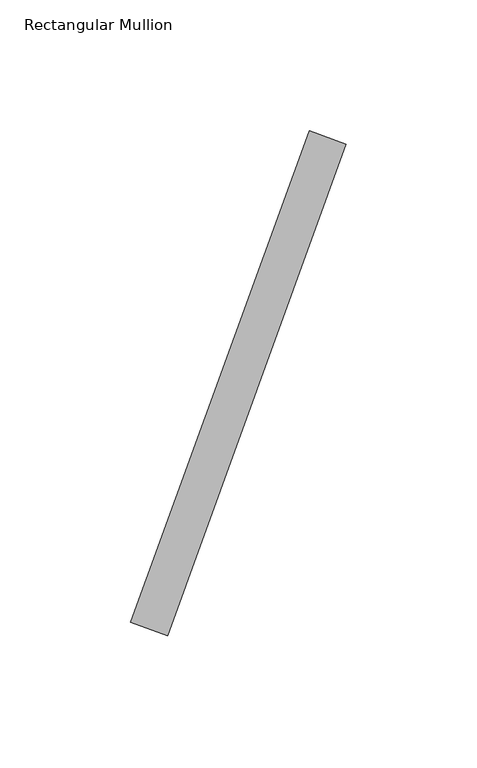
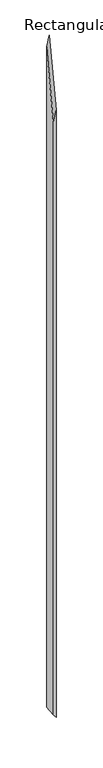
"""IFC4 building model written with IfcOpenShell, lengths in millimetres: member geometry, Rectangular Mullion."""

from ifc_helpers import new_model, si_unit, origin, place, context, project, spatial, faceted_brep, source, transform, mapped, element, save


def rectangular_mullion_55c72ef9(model_context):
    return source(origin(), model_context, "Body", "Brep", [
        faceted_brep([(-19.0607062, -52.36886, -91.8033541), (-87.4647349, -240.3073841, -421.2622517), (-87.4647349, -240.3073841, -4205.5982684), (-19.0607062, -52.36886, -4298.6322041), (-101.5601242, -235.177082, -489.1508178), (-33.1560955, -47.2385578, -159.6919202), (-33.1560955, -47.2385578, -4279.4615563), (-101.5601242, -235.177082, -4186.4276206)], [[[0, 1, 2, 3]], [[4, 5, 6, 7]], [[1, 4, 7, 2]], [[5, 0, 3, 6]], [[5, 4, 1, 0]], [[6, 3, 2, 7]]]),
    ])


if __name__ == "__main__":
    model = new_model("IFC4")
    model_context = context("Model", 3, world=origin())
    ifc_project = project(units=[si_unit("LENGTHUNIT", "METRE", prefix="MILLI")], contexts=[model_context])
    site = spatial("IfcSite", under=ifc_project)
    building = spatial("IfcBuilding", under=site)
    placement = place(None, origin())
    rectangular_mullion_shape = rectangular_mullion_55c72ef9(model_context)
    element("IfcMember", 1, ObjectType="Rectangular Mullion", at=placement, inside=building, context=model_context, shape_type="MappedRepresentation", body=[
        mapped(rectangular_mullion_shape, transform((0.0, 0.0, 0.0), x_axis=(1.0, 0.0, 0.0), y_axis=(0.0, 1.0, 0.0), z_axis=(0.0, 0.0, 1.0))),
    ])
    save(model, "model.ifc")
